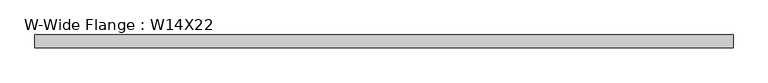
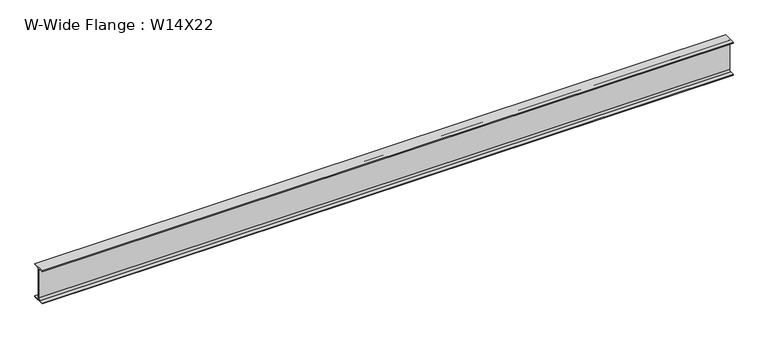
"""IFC4 building model written with IfcOpenShell, lengths in millimetres: beam geometry, W-Wide Flange : W14X22."""

from ifc_helpers import new_model, si_unit, point, frame, frame_2d, origin, place, context, project, spatial, polyline, circle_curve, trimmed, segment, composite_curve, outline, extrude, source, transform, mapped, element, save


def w_wide_flange_w14x22_0960babf(model_context):
    return source(origin(), model_context, "Body", "SweptSolid", [
        extrude(outline(composite_curve([segment(polyline([(63.5, -165.4472656), (63.5, -173.9800781), (-63.5, -173.9800781), (-63.5, -165.4472656), (-21.3816406, -165.4472656)]), True, "CONTINUOUS"), segment(trimmed(circle_curve(frame_2d((-21.3816406, -146.9925781)), 18.4546875), [point((-21.3816406, -165.4472656))], [point((-2.9269531, -146.9925781))], True, "CARTESIAN"), True, "CONTINUOUS"), segment(polyline([(-2.9269531, -146.9925781), (-2.9269531, 146.9925781)]), True, "CONTINUOUS"), segment(trimmed(circle_curve(frame_2d((-21.3816406, 146.9925781)), 18.4546875), [point((-2.9269531, 146.9925781))], [point((-21.3816406, 165.4472656))], True, "CARTESIAN"), True, "CONTINUOUS"), segment(polyline([(-21.3816406, 165.4472656), (-63.5, 165.4472656), (-63.5, 173.9800781), (63.5, 173.9800781), (63.5, 165.4472656), (21.3816406, 165.4472656)]), True, "CONTINUOUS"), segment(trimmed(circle_curve(frame_2d((21.3816406, 146.9925781)), 18.4546875), [point((21.3816406, 165.4472656))], [point((2.9269531, 146.9925781))], True, "CARTESIAN"), True, "CONTINUOUS"), segment(polyline([(2.9269531, 146.9925781), (2.9269531, -146.9925781)]), True, "CONTINUOUS"), segment(trimmed(circle_curve(frame_2d((21.3816406, -146.9925781)), 18.4546875), [point((2.9269531, -146.9925781))], [point((21.3816406, -165.4472656))], True, "CARTESIAN"), True, "CONTINUOUS"), segment(polyline([(21.3816406, -165.4472656), (63.5, -165.4472656)]), True, "CONTINUOUS")], self_intersect=False)), frame((-3454.1519531, 0.0, 0.0), z_axis=(1.0, 0.0, 0.0), x_axis=(0.0, 1.0, 0.0)), (0.0, 0.0, 1.0), 6908.3039062),
    ])


if __name__ == "__main__":
    model = new_model("IFC4")
    model_context = context("Model", 3, world=origin())
    ifc_project = project(units=[si_unit("LENGTHUNIT", "METRE", prefix="MILLI")], contexts=[model_context])
    site = spatial("IfcSite", under=ifc_project)
    building = spatial("IfcBuilding", under=site)
    placement = place(None, origin())
    w_wide_flange_w14x22_shape = w_wide_flange_w14x22_0960babf(model_context)
    element("IfcBeam", 1, ObjectType="W-Wide Flange : W14X22", at=placement, inside=building, context=model_context, shape_type="MappedRepresentation", body=[
        mapped(w_wide_flange_w14x22_shape, transform((0.0, 0.0, 0.0), x_axis=(1.0, 0.0, 0.0), y_axis=(0.0, 1.0, 0.0), z_axis=(0.0, 0.0, 1.0))),
    ])
    save(model, "model.ifc")
